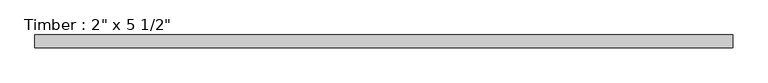
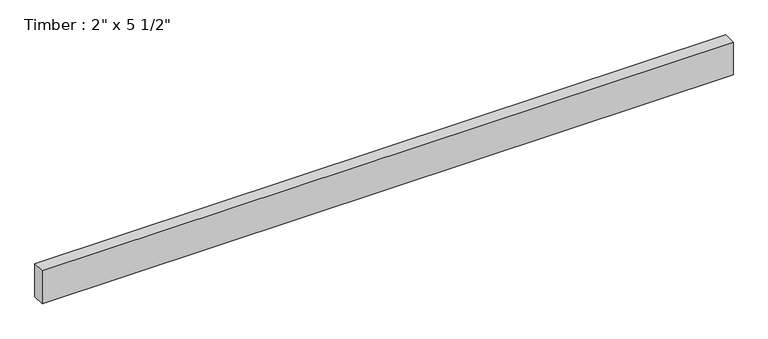
"""IFC4 building model written with IfcOpenShell, lengths in millimetres: beam geometry."""

from ifc_helpers import new_model, si_unit, frame, origin, place, context, project, spatial, polyline, outline, extrude, source, transform, mapped, element, save


def beam_efcec59b(model_context):
    return source(origin(), model_context, "Body", "SweptSolid", [
        extrude(outline(polyline([(1390.8114271, 25.4), (1390.8114271, -25.4), (-1390.8114265, -25.4), (-1390.8114265, 25.4), (1390.8114271, 25.4)])), frame((0.0, 0.0, -69.85), z_axis=(0.0, 0.0, 1.0), x_axis=(1.0, 0.0, 0.0)), (0.0, 0.0, 1.0), 139.7),
    ])


if __name__ == "__main__":
    model = new_model("IFC4")
    model_context = context("Model", 3, world=origin())
    ifc_project = project(units=[si_unit("LENGTHUNIT", "METRE", prefix="MILLI")], contexts=[model_context])
    site = spatial("IfcSite", under=ifc_project)
    building = spatial("IfcBuilding", under=site)
    placement = place(None, origin())
    beam_shape = beam_efcec59b(model_context)
    element("IfcBeam", 1, ObjectType="Timber : 2\" x 5 1/2\"", at=placement, inside=building, context=model_context, shape_type="MappedRepresentation", body=[
        mapped(beam_shape, transform((0.0, 0.0, 0.0), x_axis=(1.0, 0.0, 0.0), y_axis=(0.0, 1.0, 0.0), z_axis=(0.0, 0.0, 1.0))),
    ])
    save(model, "model.ifc")
